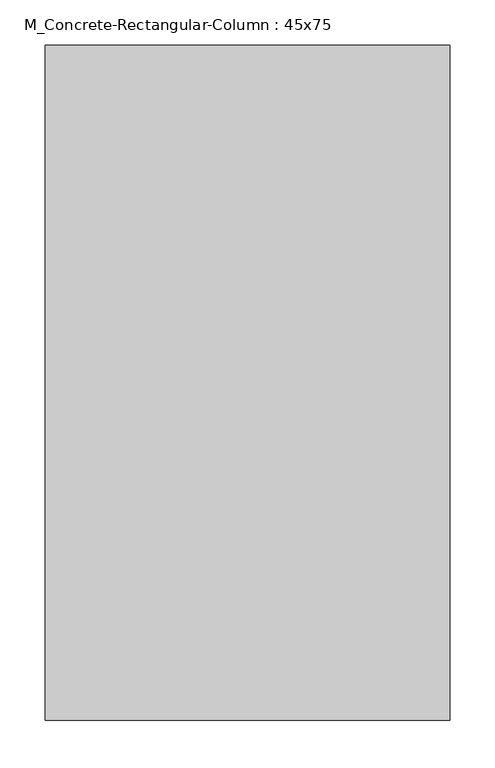
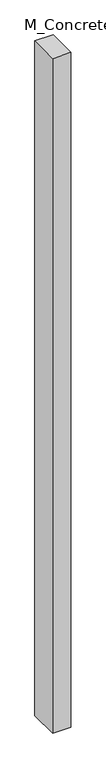
"""IFC4 building model written with IfcOpenShell, lengths in millimetres: column geometry, M_Concrete-Rectangular-Column : 45x75."""

from ifc_helpers import new_model, si_unit, origin, origin_with_axes, place, context, project, spatial, polyline, outline, extrude, source, transform, mapped, element, save


def m_concrete_rectangular_column_45x75_864f7ec0(model_context):
    return source(origin(), model_context, "Body", "SweptSolid", [
        extrude(outline(polyline([(225.0, 375.0), (225.0, -375.0), (-225.0, -375.0), (-225.0, 375.0), (225.0, 375.0)])), origin_with_axes(), (0.0, 0.0, 1.0), 17500.0),
    ])


if __name__ == "__main__":
    model = new_model("IFC4")
    model_context = context("Model", 3, world=origin())
    ifc_project = project(units=[si_unit("LENGTHUNIT", "METRE", prefix="MILLI")], contexts=[model_context])
    site = spatial("IfcSite", under=ifc_project)
    building = spatial("IfcBuilding", under=site)
    placement = place(None, origin())
    m_concrete_rectangular_column_45x75_shape = m_concrete_rectangular_column_45x75_864f7ec0(model_context)
    element("IfcColumn", 1, ObjectType="M_Concrete-Rectangular-Column : 45x75", at=placement, inside=building, context=model_context, shape_type="MappedRepresentation", body=[
        mapped(m_concrete_rectangular_column_45x75_shape, transform((0.0, 0.0, 0.0), x_axis=(1.0, 0.0, 0.0), y_axis=(0.0, 1.0, 0.0), z_axis=(0.0, 0.0, 1.0))),
    ])
    save(model, "model.ifc")
